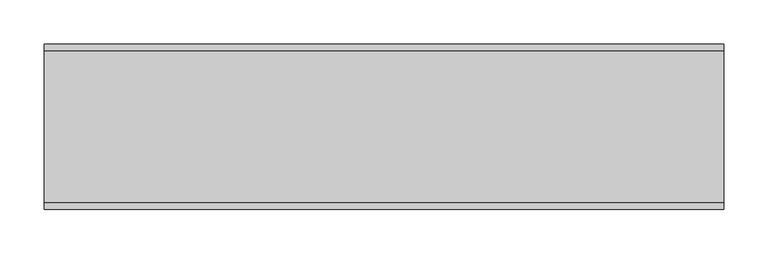
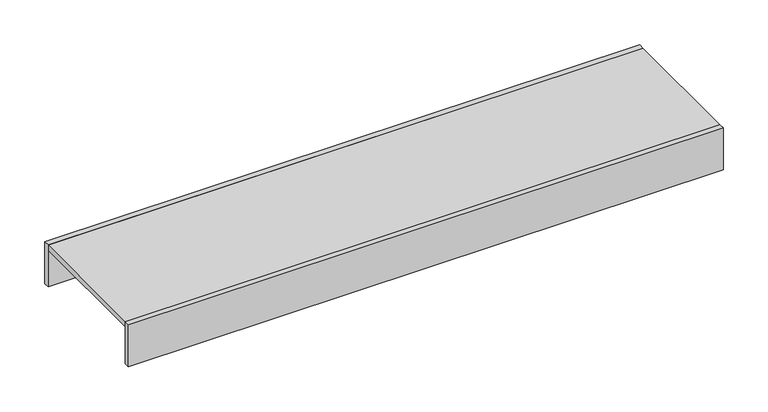
"""IFC4 building model written with IfcOpenShell, lengths in millimetres: proxy geometry."""

from ifc_helpers import new_model, si_unit, frame, origin, place, context, project, spatial, polyline, outline, extrude, source, transform, mapped, element, save


def generic_models_eb163239(model_context):
    return source(origin(), model_context, "Body", "SweptSolid", [
        extrude(outline(polyline([(402.7, -82.0), (402.7, -89.0), (-362.0, -89.0), (-362.0, -82.0), (402.7, -82.0)])), frame((0.0, 0.0, 57.0), z_axis=(0.0, 0.0, 1.0), x_axis=(1.0, 0.0, 0.0)), (0.0, 0.0, 1.0), 57.0),
        extrude(outline(polyline([(402.7, 90.0), (-362.0, 90.0), (-362.0, 97.0), (402.7, 97.0), (402.7, 90.0)])), frame((0.0, 0.0, 57.0), z_axis=(0.0, 0.0, 1.0), x_axis=(1.0, 0.0, 0.0)), (0.0, 0.0, 1.0), 57.0),
        extrude(outline(polyline([(402.7, 90.0), (402.7, -82.0), (-362.0, -82.0), (-362.0, 90.0), (402.7, 90.0)])), frame((0.0, 0.0, 107.0), z_axis=(0.0, 0.0, 1.0), x_axis=(1.0, 0.0, 0.0)), (0.0, 0.0, 1.0), 7.0),
    ])


if __name__ == "__main__":
    model = new_model("IFC4")
    model_context = context("Model", 3, world=origin())
    ifc_project = project(units=[si_unit("LENGTHUNIT", "METRE", prefix="MILLI")], contexts=[model_context])
    site = spatial("IfcSite", under=ifc_project)
    building = spatial("IfcBuilding", under=site)
    placement = place(None, origin())
    generic_models_shape = generic_models_eb163239(model_context)
    element("IfcBuildingElementProxy", 1, Name="Generic Models", at=placement, inside=building, context=model_context, shape_type="MappedRepresentation", body=[
        mapped(generic_models_shape, transform((0.0, 0.0, 0.0), x_axis=(1.0, 0.0, 0.0), y_axis=(0.0, 1.0, 0.0), z_axis=(0.0, 0.0, 1.0))),
    ])
    save(model, "model.ifc")
